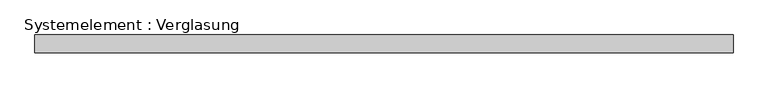
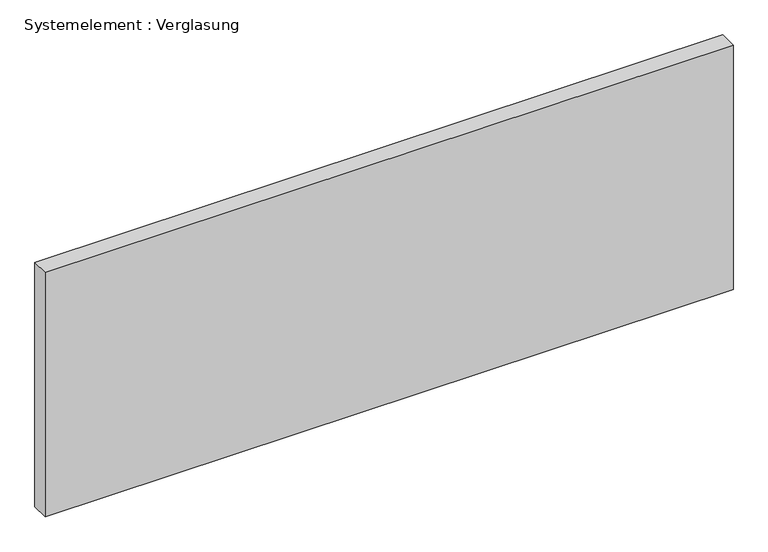
"""IFC4 building model written with IfcOpenShell, lengths in millimetres: plate geometry, Systemelement : Verglasung."""

from ifc_helpers import new_model, si_unit, origin, origin_with_axes, place, context, project, spatial, polyline, outline, extrude, source, transform, mapped, element, save


def systemelement_verglasung_c2deedf8(model_context):
    return source(origin(), model_context, "Body", "SweptSolid", [
        extrude(outline(polyline([(585.3125, -15.0), (-585.3125, -15.0), (-585.3125, 15.0), (585.3125, 15.0), (585.3125, -15.0)])), origin_with_axes(), (0.0, 0.0, 1.0), 440.0),
    ])


if __name__ == "__main__":
    model = new_model("IFC4")
    model_context = context("Model", 3, world=origin())
    ifc_project = project(units=[si_unit("LENGTHUNIT", "METRE", prefix="MILLI")], contexts=[model_context])
    site = spatial("IfcSite", under=ifc_project)
    building = spatial("IfcBuilding", under=site)
    placement = place(None, origin())
    systemelement_verglasung_shape = systemelement_verglasung_c2deedf8(model_context)
    element("IfcPlate", 1, ObjectType="Systemelement : Verglasung", at=placement, inside=building, context=model_context, shape_type="MappedRepresentation", body=[
        mapped(systemelement_verglasung_shape, transform((0.0, 0.0, 0.0), x_axis=(1.0, 0.0, 0.0), y_axis=(0.0, 1.0, 0.0), z_axis=(0.0, 0.0, 1.0))),
    ])
    save(model, "model.ifc")
